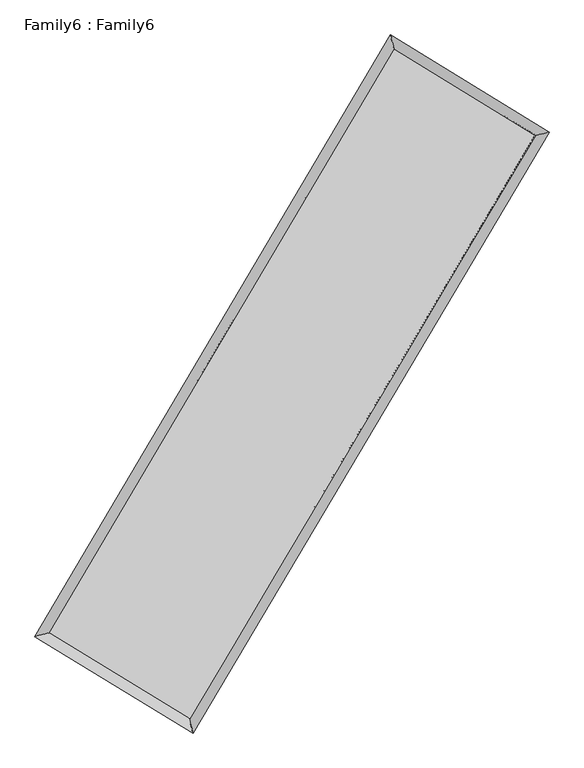
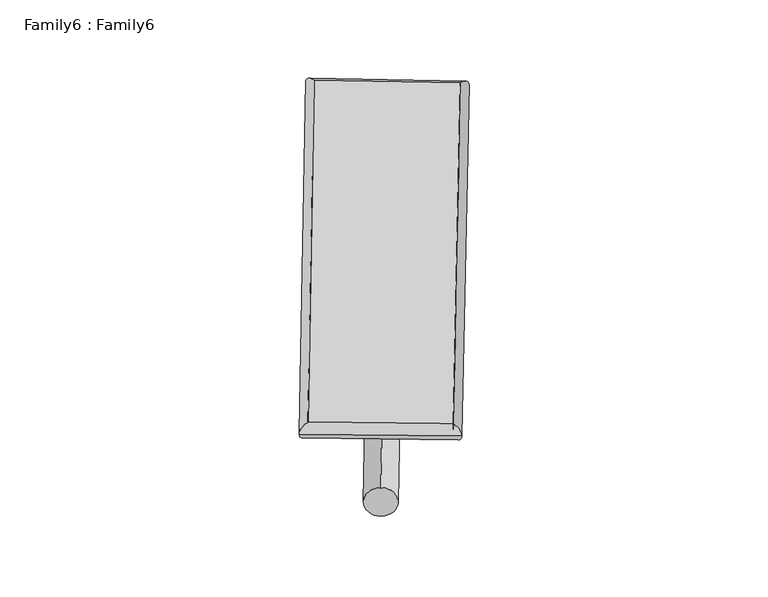
"""IFC4 building model written with IfcOpenShell, lengths in millimetres: plate geometry, Family6 : Family6."""

from ifc_helpers import new_model, si_unit, point, frame, origin, origin_2d, place, context, project, spatial, circle_curve, ellipse_curve, trimmed, segment, composite_curve, outline, extrude, source, transform, mapped, element, save
from ifc_brep_helpers import plane_surface, cylinder_surface, spline_surface, advanced_brep


def family6_family6_5cb5e65f(model_context):
    return source(origin(), model_context, "Body", "SolidModel", [
        extrude(outline(composite_curve([segment(trimmed(circle_curve(origin_2d(), 76.2), [point((-75.4341514, -10.7763073))], [point((75.4341514, 10.7763073))], False, "CARTESIAN"), True, "CONTINUOUS"), segment(trimmed(circle_curve(origin_2d(), 76.2), [point((75.4341514, 10.7763073))], [point((-75.4341514, -10.7763073))], False, "CARTESIAN"), True, "CONTINUOUS")], self_intersect=False)), frame((9144.0, 9144.0, 0.0), z_axis=(0.6735694337707272, 0.6867889845638094, 0.2731759663140109), x_axis=(-0.6788588099330941, 0.7210209316608427, -0.13885075542881917)), (0.0, 0.0, 1.0), 5559.4238667),
        extrude(outline(composite_curve([segment(trimmed(circle_curve(origin_2d(), 76.2), [point((-53.8815367, 53.8815368))], [point((53.8815367, -53.8815368))], False, "CARTESIAN"), True, "CONTINUOUS"), segment(trimmed(circle_curve(origin_2d(), 76.2), [point((53.8815367, -53.8815368))], [point((-53.8815367, 53.8815368))], False, "CARTESIAN"), True, "CONTINUOUS")], self_intersect=False)), frame((9144.0, 9144.0, 0.0), z_axis=(-0.6728824197849954, -0.687471892131352, 0.27315132559375993), x_axis=(0.6416383042590679, -0.35863428791759333, 0.6779983289340682)), (0.0, 0.0, 1.0), 5559.8536309),
        extrude(outline(composite_curve([segment(trimmed(circle_curve(origin_2d(), 76.2), [point((-53.8815367, -53.8815367))], [point((53.8815367, 53.8815367))], False, "CARTESIAN"), True, "CONTINUOUS"), segment(trimmed(circle_curve(origin_2d(), 76.2), [point((53.8815367, 53.8815367))], [point((-53.8815367, -53.8815367))], False, "CARTESIAN"), True, "CONTINUOUS")], self_intersect=False)), frame((9144.0, 9144.0, 0.0), z_axis=(0.2803507862879567, 0.9203524514881997, 0.2726807687890471), x_axis=(-0.838617211587692, 0.37305440796091055, -0.39692767745499796)), (0.0, 0.0, 1.0), 5597.3898432),
        extrude(outline(composite_curve([segment(trimmed(circle_curve(origin_2d(), 76.2), [point((-75.4341514, 10.7763073))], [point((75.4341514, -10.7763073))], False, "CARTESIAN"), True, "CONTINUOUS"), segment(trimmed(circle_curve(origin_2d(), 76.2), [point((75.4341514, -10.7763073))], [point((-75.4341514, 10.7763073))], False, "CARTESIAN"), True, "CONTINUOUS")], self_intersect=False)), frame((9144.0, 9144.0, 0.0), z_axis=(-0.2810707357312973, -0.9200669806227214, 0.27290289973405607), x_axis=(0.8765529127338774, -0.13035204822719884, 0.4633177470168067)), (0.0, 0.0, 1.0), 5592.642715),
        advanced_brep(
        [(5195.1431166, 5269.9685925, 1519.2882858), (5610.6032799, 5373.5479288, 1519.4466706), (5610.6013538, 5373.5452164, 1518.0744929), (10765.5584312, 14084.7484713, 1525.4707003), (10660.9068562, 14506.3944569, 1527.130431), (5195.1411906, 5269.9658801, 1517.9161081), (12680.9572937, 12910.7105246, 1518.7794918), (13096.3586782, 13013.5916197, 1518.622482), (7519.712246, 4208.8585048, 1526.1063967), (7624.4313488, 3787.9297023, 1526.3904315)],
        [
            (0, 1, ellipse_curve(frame((5402.8722352, 5321.7569044, 1518.6813894), z_axis=(-0.24190669931720946, 0.9702982310865284, -0.001578472618480095), x_axis=(-0.9702950498467824, -0.24191020128253543, -0.0026402193608442226)), 214.0913864, 152.4)),
            (1, 2, ellipse_curve(frame((5402.8722352, 5321.7569044, 1518.6813894), z_axis=(-0.24190669931720946, 0.9702982310865284, -0.001578472618480095), x_axis=(-0.9702950498467824, -0.24191020128253543, -0.0026402193608442226)), 214.0913864, 152.4)),
            (2, 3),
            (3, 4, ellipse_curve(frame((10713.2326437, 14295.5714641, 1526.3005657), z_axis=(-0.9705499607234931, -0.24089459891442433, 0.0016018593835061433), x_axis=(0.2408900459704334, -0.97054892325122, -0.002602561864769317)), 217.221277, 152.4)),
            (4, 0),
            (2, 5, ellipse_curve(frame((5402.8722352, 5321.7569044, 1518.6813894), z_axis=(-0.24190669931720946, 0.9702982310865284, -0.001578472618480095), x_axis=(-0.9702950498467824, -0.24191020128253543, -0.0026402193608442226)), 214.0913864, 152.4)),
            (5, 0, ellipse_curve(frame((5402.8722352, 5321.7569044, 1518.6813894), z_axis=(-0.24190669931720946, 0.9702982310865284, -0.001578472618480095), x_axis=(-0.9702950498467824, -0.24191020128253543, -0.0026402193608442226)), 214.0913864, 152.4)),
            (4, 3, ellipse_curve(frame((10713.2326437, 14295.5714641, 1526.3005657), z_axis=(-0.9705499607234931, -0.24089459891442433, 0.0016018593835061433), x_axis=(0.2408900459704334, -0.97054892325122, -0.002602561864769317)), 217.221277, 152.4)),
            (3, 6),
            (6, 7, ellipse_curve(frame((12888.657986, 12962.1510721, 1518.7009869), z_axis=(-0.24040254248437845, 0.9706719905702088, 0.0015824947125648344), x_axis=(-0.9706688267994, -0.2404060586313166, 0.002637357243911735)), 213.9765008, 152.4)),
            (7, 4),
            (7, 6, ellipse_curve(frame((12888.657986, 12962.1510721, 1518.7009869), z_axis=(-0.24040254248437845, 0.9706719905702088, 0.0015824947125648344), x_axis=(-0.9706688267994, -0.2404060586313166, 0.002637357243911735)), 213.9765008, 152.4)),
            (6, 8),
            (8, 9, ellipse_curve(frame((7572.0717974, 3998.3941035, 1526.2484141), z_axis=(0.9704186915350408, 0.24142284771184558, 0.001603658979394147), x_axis=(-0.24141829230683987, 0.9704176623810968, -0.0026016683987385115)), 216.8801276, 152.4)),
            (9, 7),
            (9, 8, ellipse_curve(frame((7572.0717974, 3998.3941035, 1526.2484141), z_axis=(0.9704186915350408, 0.24142284771184558, 0.001603658979394147), x_axis=(-0.24141829230683987, 0.9704176623810968, -0.0026016683987385115)), 216.8801276, 152.4)),
            (8, 1),
            (5, 9),
        ],
        [
            cylinder_surface(frame((5402.8722352, 5321.7569044, 1518.6813894), z_axis=(-0.5092729793703901, -0.8606047284158129, -0.0007306925148158766), x_axis=(-0.8605971900464989, 0.5092645252464547, 0.00470317016205927)), 152.4),
            cylinder_surface(frame((10713.2326437, 14295.5714641, 1526.3005657), z_axis=(-0.852580850358008, 0.5225868567258882, 0.0029783854975532326), x_axis=(0.5225937898844926, 0.852578367724116, 0.0024202609455859117)), 152.4),
            cylinder_surface(frame((12888.657986, 12962.1510721, 1518.7009869), z_axis=(0.5101381304241716, 0.8600921831018756, -0.0007241922263367662), x_axis=(0.8600924650526227, -0.5101381304241716, 0.00019861277401589774)), 152.4),
            cylinder_surface(frame((7572.0717974, 3998.3941035, 1526.2484141), z_axis=(0.8536733926595914, -0.5208002212742603, 0.0029779499231664458), x_axis=(-0.5207961039345692, -0.8536785564337682, -0.0020833654818811684)), 152.4),
        ],
        [
            (0, [[1, 2, 3, 4, 5]]),
            (0, [[6, 7, -5, 8, -3]]),
            (1, [[-4, 9, 10, 11]]),
            (1, [[-8, -11, 12, -9]]),
            (2, [[-10, 13, 14, 15]]),
            (2, [[-12, -15, 16, -13]]),
            (3, [[-14, 17, -1, -7, 18]]),
            (3, [[-16, -18, -6, -2, -17]]),
        ],
    ),
        extrude(outline(composite_curve([segment(trimmed(circle_curve(origin_2d(), 304.8), [point((0.0, 304.8))], [point((1e-07, -304.8))], False, "CARTESIAN"), True, "CONTINUOUS"), segment(trimmed(circle_curve(origin_2d(), 304.8), [point((1e-07, -304.8))], [point((0.0, 304.8))], False, "CARTESIAN"), True, "CONTINUOUS")], self_intersect=False)), frame((11804.0506188, 13642.5039691, -6.63e-05), z_axis=(-0.508990775014943, -0.8607719738407423, 1.2692137758924312e-08), x_axis=(-0.8607719738407423, 0.508990775014943, -3.4717746856306714e-09)), (0.0, 0.0, 1.0), 10452.2547337),
        advanced_brep(
        [(5402.8722352, 5321.7569044, 1518.6813894), (7572.0717974, 3998.3941035, 1526.2484141), (7572.0731512, 3998.3926589, 1678.6484141), (5402.873589, 5321.7554598, 1671.0813894), (12888.657986, 12962.1510721, 1518.7009869), (12888.6593397, 12962.1496276, 1671.1009869), (10713.2326437, 14295.5714641, 1526.3005657), (10713.2339975, 14295.5700195, 1678.7005656)],
        [
            (0, 1),
            (1, 2),
            (2, 3),
            (3, 0),
            (1, 4),
            (4, 5),
            (5, 2),
            (4, 6),
            (6, 7),
            (7, 5),
            (6, 0),
            (3, 7),
        ],
        [
            plane_surface(frame((6487.4720163, 4660.075504, 1522.4649017), z_axis=(-0.5208025217527366, -0.8536771833216467, -3.4655959291079487e-06), x_axis=(0.8536733926595916, -0.5208002212742598, 0.002977949923166447))),
            plane_surface(frame((10230.3648917, 8480.2725878, 1522.4747005), z_axis=(0.8600924039655534, -0.510138271927436, -1.2475787057716003e-05), x_axis=(0.5101381304241716, 0.8600921831018757, -0.0007241922263367663))),
            plane_surface(frame((11800.9453148, 13628.8612681, 1522.5007763), z_axis=(0.5225891833484979, 0.8525846265534707, 3.4393687022313355e-06), x_axis=(-0.8525808503580081, 0.5225868567258882, 0.0029783854975532326))),
            plane_surface(frame((8058.0524395, 9808.6641843, 1522.4909775), z_axis=(-0.8606049627335315, 0.5092731074412461, 1.2472139345254653e-05), x_axis=(-0.5092729793703905, -0.8606047284158127, -0.0007306925148158754))),
            spline_surface(1, 1, [[(7572.0731512, 3998.3926589, 1678.6484141), (5402.873589, 5321.7554598, 1671.0813894)], [(12888.6593397, 12962.1496276, 1671.1009869), (10713.2339975, 14295.5700195, 1678.7005656)]], [2, 2], [2, 2], [0.0, 1.0], [0.0, 1.0]),
            spline_surface(1, 1, [[(10713.2326437, 14295.5714641, 1526.3005657), (5402.8722352, 5321.7569044, 1518.6813894)], [(12888.657986, 12962.1510721, 1518.7009869), (7572.0717974, 3998.3941035, 1526.2484141)]], [2, 2], [2, 2], [0.0, 1.0], [0.0, 1.0]),
        ],
        [
            (0, [[1, 2, 3, 4]]),
            (1, [[5, 6, 7, -2]]),
            (2, [[8, 9, 10, -6]]),
            (3, [[11, -4, 12, -9]]),
            (4, [[-3, -7, -10, -12]]),
            (5, [[-11, -8, -5, -1]]),
        ],
    ),
    ])


if __name__ == "__main__":
    model = new_model("IFC4")
    model_context = context("Model", 3, world=origin())
    ifc_project = project(units=[si_unit("LENGTHUNIT", "METRE", prefix="MILLI")], contexts=[model_context])
    site = spatial("IfcSite", under=ifc_project)
    building = spatial("IfcBuilding", under=site)
    placement = place(None, origin())
    family6_family6_shape = family6_family6_5cb5e65f(model_context)
    element("IfcPlate", 1, ObjectType="Family6 : Family6", at=placement, inside=building, context=model_context, shape_type="MappedRepresentation", body=[
        mapped(family6_family6_shape, transform((0.0, 0.0, 0.0), x_axis=(1.0, 0.0, 0.0), y_axis=(0.0, 1.0, 0.0), z_axis=(0.0, 0.0, 1.0))),
    ])
    save(model, "model.ifc")
